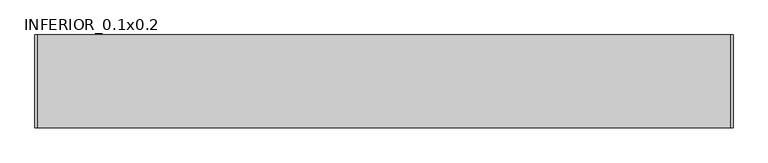
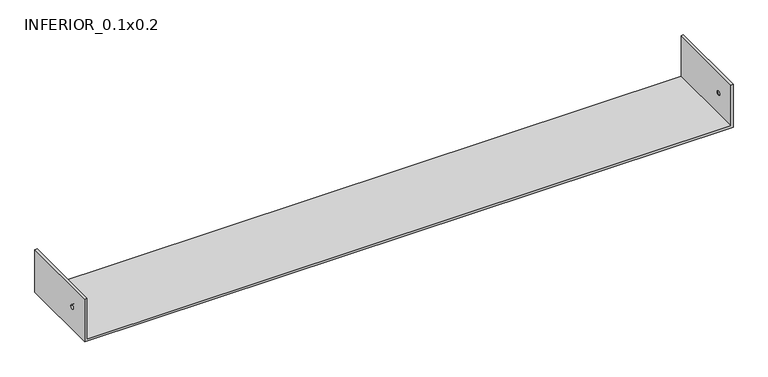
"""IFC4 building model written with IfcOpenShell, lengths in millimetres: proxy geometry, INFERIOR_0.1x0.2."""

import ifcopenshell
import ifcopenshell.guid

model = None  # the IFC model being written
_history = None  # IfcOwnerHistory: only IFC2X3 demands one
_inside = {}  # id of a spatial element -> (the spatial element, [elements in it])
_under = {}  # id of a project, library or spatial element -> (it, [spatial elements below it])
_declared = {}  # id of a project -> (the project, [libraries it declares])
_typed = {}  # id of a type object -> (the type object, [elements of that type])
_made_of = {}  # id of a material, layer set ... -> (it, [elements and type objects made of it])


def new_model(schema):
    """Start an empty IFC model of exactly this schema.

    Asked for "IFC4X3", IfcOpenShell would pick the latest addendum, in which some entities
    have other attributes; the version numbers below select the first issue.
    IFC2X3 requires an IfcOwnerHistory on every rooted entity: one is made here for all.
    """
    global model, _history
    if schema == "IFC4X3":
        model = ifcopenshell.file(schema_version=(4, 3, 0, 0))
    else:
        model = ifcopenshell.file(schema=schema)
    _inside.clear()
    _under.clear()
    _declared.clear()
    _typed.clear()
    _made_of.clear()
    _history = None
    if model.schema == "IFC2X3":
        org = make("IfcOrganization", Name="unknown")
        user = make(
            "IfcPersonAndOrganization",
            ThePerson=make("IfcPerson", FamilyName="unknown"),
            TheOrganization=org,
        )
        app = make(
            "IfcApplication",
            ApplicationDeveloper=org,
            Version="unknown",
            ApplicationFullName="unknown",
            ApplicationIdentifier="unknown",
        )
        _history = make(
            "IfcOwnerHistory",
            OwningUser=user,
            OwningApplication=app,
            ChangeAction="ADDED",
            CreationDate=0,
        )
    return model


def make(cls, **values):
    """One entity of the class cls with the attributes given. An attribute that is None is left unset."""
    return model.create_entity(
        cls, **{name: value for name, value in values.items() if value is not None}
    )


def rooted(cls, **values):
    """An entity with a GlobalId (a new one), such as an element, a storey or a relation."""
    return make(cls, GlobalId=ifcopenshell.guid.new(), OwnerHistory=_history, **values)


def si_unit(unit_type, name, prefix=None):
    """IfcSIUnit, for example si_unit("LENGTHUNIT", "METRE", prefix="MILLI")."""
    return make("IfcSIUnit", UnitType=unit_type, Prefix=prefix, Name=name)


def assignment(units):
    """IfcUnitAssignment: the units of a project."""
    return None if units is None else make("IfcUnitAssignment", Units=units)


def point(xyz):
    """IfcCartesianPoint."""
    return None if xyz is None else make("IfcCartesianPoint", Coordinates=xyz)


def direction(xyz):
    """IfcDirection."""
    return None if xyz is None else make("IfcDirection", DirectionRatios=xyz)


def frame(location, z_axis=None, x_axis=None):
    """IfcAxis2Placement3D, a coordinate frame: its origin and axes. An axis left out is left unset."""
    return make(
        "IfcAxis2Placement3D",
        Location=point(location),
        Axis=direction(z_axis),
        RefDirection=direction(x_axis),
    )


def origin():
    """The frame at (0, 0, 0) with its axes left unset."""
    return frame((0.0, 0.0, 0.0))


def place(relative_to, where):
    """IfcLocalPlacement: puts the frame where relative to a parent placement (None: the world)."""
    return make(
        "IfcLocalPlacement", PlacementRelTo=relative_to, RelativePlacement=where
    )


def context(
    kind, dimensions, precision=None, world=None, true_north=None, identifier=None
):
    """IfcGeometricRepresentationContext, for example the 3D "Model" context."""
    return make(
        "IfcGeometricRepresentationContext",
        ContextIdentifier=identifier,
        ContextType=kind,
        CoordinateSpaceDimension=dimensions,
        Precision=precision,
        WorldCoordinateSystem=world,
        TrueNorth=true_north,
    )


def project(units=None, contexts=None):
    """IfcProject with its units and contexts."""
    return rooted(
        "IfcProject",
        Name="project",
        RepresentationContexts=contexts,
        UnitsInContext=assignment(units),
    )


def spatial(cls, under=None, at=None, **own):
    """A site, building, storey or space (cls), placed at a placement, below another one or the project."""
    s = rooted(cls, ObjectPlacement=at, **own)
    if under is not None:
        _under.setdefault(under.id(), (under, []))[1].append(s)
    return s


def polyline(points):
    """IfcPolyline through the points."""
    return make("IfcPolyline", Points=[point(p) for p in points])


def circle_curve(where, radius):
    """IfcCircle in the frame where."""
    return make("IfcCircle", Position=where, Radius=radius)


def shape(context_of_items, identifier, shape_type, items):
    """IfcShapeRepresentation: the items that make up one representation, for example the "Body"."""
    return make(
        "IfcShapeRepresentation",
        ContextOfItems=context_of_items,
        RepresentationIdentifier=identifier,
        RepresentationType=shape_type,
        Items=items,
    )


def source(mapping_origin, context_of_items, identifier, shape_type, items):
    """IfcRepresentationMap: a shape defined once, which mapped items show again and again."""
    return make(
        "IfcRepresentationMap",
        MappingOrigin=mapping_origin,
        MappedRepresentation=shape(context_of_items, identifier, shape_type, items),
    )


def transform(
    local_origin,
    x_axis=None,
    y_axis=None,
    z_axis=None,
    scale=None,
    scale2=None,
    scale3=None,
    uniform=True,
):
    """IfcCartesianTransformationOperator3D, or its non-uniform kind. x_axis, y_axis, z_axis: its Axis1, 2, 3."""
    if uniform:
        return make(
            "IfcCartesianTransformationOperator3D",
            Axis1=direction(x_axis),
            Axis2=direction(y_axis),
            LocalOrigin=point(local_origin),
            Scale=scale,
            Axis3=direction(z_axis),
        )
    return make(
        "IfcCartesianTransformationOperator3DnonUniform",
        Axis1=direction(x_axis),
        Axis2=direction(y_axis),
        LocalOrigin=point(local_origin),
        Scale=scale,
        Axis3=direction(z_axis),
        Scale2=scale2,
        Scale3=scale3,
    )


def mapped(mapping_source, mapping_target):
    """IfcMappedItem: shows the shape of a source again, moved by a transform."""
    return make(
        "IfcMappedItem", MappingSource=mapping_source, MappingTarget=mapping_target
    )


def made_of(thing, what):
    """Note that an element or type object is made of a material, layer set ...; save() writes the relation."""
    if what is not None:
        _made_of.setdefault(what.id(), (what, []))[1].append(thing)
    return thing


def element(
    cls,
    number,
    at=None,
    inside=None,
    cuts=None,
    type_object=None,
    material=None,
    context=None,
    identifier="Body",
    shape_type=None,
    held_by="IfcProductDefinitionShape",
    body=None,
    shapes=None,
    **own,
):
    """One element of the class cls, such as IfcWall. Its Tag is "e" and its number.

    at: its placement. inside: the storey or other place that contains it. cuts: it is an
    opening in that element (IfcRelVoidsElement). A single representation is given by context,
    identifier, shape_type and body (its items); several are given by shapes. held_by: the class
    of the entity that holds the representations. save() writes the other relations.
    """
    e = rooted(cls, Tag="e%d" % number, ObjectPlacement=at, **own)
    if body is not None:
        shapes = [shape(context, identifier, shape_type, body)]
    if shapes is not None:
        e.Representation = make(held_by, Representations=shapes)
    if inside is not None:
        _inside.setdefault(inside.id(), (inside, []))[1].append(e)
    if cuts is not None:
        rooted(
            "IfcRelVoidsElement", RelatingBuildingElement=cuts, RelatedOpeningElement=e
        )
    if type_object is not None:
        _typed.setdefault(type_object.id(), (type_object, []))[1].append(e)
    return made_of(e, material)


def aggregate(whole, parts):
    """IfcRelAggregates: a whole, such as a stair, and the parts it consists of."""
    return rooted("IfcRelAggregates", RelatingObject=whole, RelatedObjects=parts)


def save(model, path):
    """Write the relations noted so far, then the file.

    IfcRelAggregates (storeys below a building ...), IfcRelContainedInSpatialStructure (elements
    in a storey), IfcRelDefinesByType, IfcRelAssociatesMaterial and IfcRelDeclares: one each for
    every whole, place, type object, material and project.
    """
    for whole, parts in _under.values():
        aggregate(whole, parts)
    for where, things in _inside.values():
        rooted(
            "IfcRelContainedInSpatialStructure",
            RelatedElements=things,
            RelatingStructure=where,
        )
    for kind, things in _typed.values():
        rooted("IfcRelDefinesByType", RelatedObjects=things, RelatingType=kind)
    for what, things in _made_of.values():
        rooted("IfcRelAssociatesMaterial", RelatedObjects=things, RelatingMaterial=what)
    for by, libraries in _declared.values():
        rooted("IfcRelDeclares", RelatingContext=by, RelatedDefinitions=libraries)
    model.write(path)


def plane_surface(at):
    """IfcPlane: the flat surface through the origin of the frame at, square to its z axis."""
    return make("IfcPlane", Position=at)


def revolved_surface(curve, axis_point, axis_direction):
    """IfcSurfaceOfRevolution: the curve turned about the line through axis_point along axis_direction."""
    return make(
        "IfcSurfaceOfRevolution",
        SweptCurve=make("IfcArbitraryOpenProfileDef", ProfileType="CURVE", Curve=curve),
        AxisPosition=make("IfcAxis1Placement", Location=point(axis_point), Axis=direction(axis_direction)),
    )


def advanced_brep(points, edges, surfaces, faces):
    """IfcAdvancedBrep: a solid bounded by faces that lie on surfaces and meet in shared edges.

    An edge is (start, end): straight between two places in points (the first is 0);
    or (start, end, curve); or (start, end, curve, False) where it runs against its curve.
    A face is (place in surfaces, loops), or (place, loops, False) where it looks against
    its surface's normal. A loop lists edges by number (the first is 1), with a minus sign
    where the edge is run from its end to its start. The first loop is the outer one.
    """
    corners = [point(p) for p in points]
    vertices = [make("IfcVertexPoint", VertexGeometry=c) for c in corners]
    made = []
    for start, end, *more in edges:
        made.append(
            make(
                "IfcEdgeCurve",
                EdgeStart=vertices[start],
                EdgeEnd=vertices[end],
                EdgeGeometry=more[0] if more else make("IfcPolyline", Points=[corners[start], corners[end]]),
                SameSense=more[1] if len(more) > 1 else True,
            )
        )
    hull = []
    for where, loops, *sense in faces:
        bounds = []
        for j, loop in enumerate(loops):
            ring = [make("IfcOrientedEdge", EdgeElement=made[abs(k) - 1], Orientation=k > 0) for k in loop]
            bounds.append(
                make(
                    "IfcFaceOuterBound" if j == 0 else "IfcFaceBound",
                    Bound=make("IfcEdgeLoop", EdgeList=ring),
                    Orientation=True,
                )
            )
        hull.append(make("IfcAdvancedFace", Bounds=bounds, FaceSurface=surfaces[where], SameSense=sense[0] if sense else True))
    return make("IfcAdvancedBrep", Outer=make("IfcClosedShell", CfsFaces=hull))


def inferior_0_1x0_2_5061bd0f(model_context):
    return source(origin(), model_context, "Body", "AdvancedBrep", [
        advanced_brep(
        [(5.0, 200.0, 105.0), (0.0, 200.0, 105.0), (0.0, 0.0, 105.0), (5.0, 0.0, 105.0), (5.0, 200.0, 5.0), (1499.0, 200.0, 5.0), (1499.0, 200.0, 105.0), (1504.0, 200.0, 105.0), (1504.0, 200.0, 0.0), (0.0, 200.0, 0.0), (0.0, 0.0, 0.0), (0.0, 45.1299677, 55.0), (0.0, 55.1299677, 55.0), (1504.0, 0.0, 0.0), (1504.0, 0.0, 105.0), (1499.0, 0.0, 105.0), (1499.0, 0.0, 5.0), (5.0, 0.0, 5.0), (5.0, 55.1299677, 55.0), (5.0, 45.1299677, 55.0), (1500.0, 45.1299677, 55.0), (1500.0, 55.1299677, 55.0), (1499.0, 55.1299677, 55.0), (1499.0, 45.1299677, 55.0)],
        [
            (0, 1),
            (1, 2),
            (2, 3),
            (3, 0),
            (0, 4),
            (4, 5),
            (5, 6),
            (6, 7),
            (7, 8),
            (8, 9),
            (9, 1),
            (9, 10),
            (10, 2),
            (11, 12, circle_curve(frame((0.0, 50.1299677, 55.0), z_axis=(1.0, 0.0, 0.0), x_axis=(0.0, 1.0, 0.0)), 5.0)),
            (12, 11, circle_curve(frame((0.0, 50.1299677, 55.0), z_axis=(1.0, 0.0, 0.0), x_axis=(0.0, 1.0, 0.0)), 5.0)),
            (10, 13),
            (13, 14),
            (14, 15),
            (15, 16),
            (16, 17),
            (17, 3),
            (17, 4),
            (18, 19, circle_curve(frame((5.0, 50.1299677, 55.0), z_axis=(-1.0, 0.0, 0.0), x_axis=(0.0, 1.0, 0.0)), 5.0)),
            (19, 18, circle_curve(frame((5.0, 50.1299677, 55.0), z_axis=(-1.0, 0.0, 0.0), x_axis=(0.0, 1.0, 0.0)), 5.0)),
            (16, 5),
            (8, 13),
            (7, 14),
            (11, 19),
            (18, 12),
            (20, 21, circle_curve(frame((1500.0, 50.1299677, 55.0), z_axis=(1.0, 0.0, 0.0), x_axis=(0.0, 1.0, 0.0)), 5.0)),
            (21, 22),
            (22, 23, circle_curve(frame((1499.0, 50.1299677, 55.0), z_axis=(-1.0, 0.0, 0.0), x_axis=(0.0, 1.0, 0.0)), 5.0)),
            (23, 20),
            (21, 20, circle_curve(frame((1500.0, 50.1299677, 55.0), z_axis=(1.0, 0.0, 0.0), x_axis=(0.0, 1.0, 0.0)), 5.0)),
            (23, 22, circle_curve(frame((1499.0, 50.1299677, 55.0), z_axis=(-1.0, 0.0, 0.0), x_axis=(0.0, 1.0, 0.0)), 5.0)),
            (6, 15),
        ],
        [
            plane_surface(frame((0.0, 200.0, 105.0), z_axis=(0.0, 0.0, 1.0), x_axis=(-1.0, 0.0, 0.0))),
            plane_surface(frame((5.0, 200.0, 105.0), z_axis=(0.0, 1.0, 0.0), x_axis=(0.0, 0.0, -1.0))),
            plane_surface(frame((0.0, 200.0, 105.0), z_axis=(-1.0, 0.0, 0.0), x_axis=(0.0, 0.0, -1.0))),
            plane_surface(frame((0.0, 0.0, 105.0), z_axis=(0.0, -1.0, 0.0), x_axis=(0.0, 0.0, -1.0))),
            plane_surface(frame((5.0, 0.0, 105.0), z_axis=(1.0, 0.0, 0.0), x_axis=(0.0, 0.0, -1.0))),
            plane_surface(frame((0.0, 0.0, 5.0), z_axis=(0.0, 0.0, 1.0), x_axis=(0.0, -1.0, 0.0))),
            plane_surface(frame((0.0, 0.0, 0.0), z_axis=(0.0, 0.0, -1.0), x_axis=(0.0, 1.0, 0.0))),
            plane_surface(frame((1504.0, 0.0, 5.0), z_axis=(1.0, 0.0, 0.0), x_axis=(0.0, 0.0, -1.0))),
            revolved_surface(polyline([(5.0, 55.1299677, 55.0), (0.0, 55.1299677, 55.0)]), (0.0, 50.1299677, 55.0), (1.0, 0.0, 0.0)),
            revolved_surface(polyline([(1500.0, 55.1299677, 55.0), (1499.0, 55.1299677, 55.0)]), (0.0, 50.1299677, 55.0), (1.0, 0.0, 0.0)),
            plane_surface(frame((1499.0, 200.0, 105.0), z_axis=(0.0, 0.0, 1.0), x_axis=(0.0, -1.0, 0.0))),
            plane_surface(frame((1499.0, 200.0, 105.0), z_axis=(-1.0, 0.0, 0.0), x_axis=(0.0, 0.0, -1.0))),
            plane_surface(frame((1500.0, 55.1299677, 55.0), z_axis=(-1.0, 0.0, 0.0), x_axis=(0.0, 0.0, 1.0))),
        ],
        [
            (0, [[1, 2, 3, 4]]),
            (1, [[-1, 5, 6, 7, 8, 9, 10, 11]]),
            (2, [[-2, -11, 12, 13], [14, 15]]),
            (3, [[-3, -13, 16, 17, 18, 19, 20, 21]]),
            (4, [[-4, -21, 22, -5], [23, 24]]),
            (5, [[-22, -20, 25, -6]]),
            (6, [[26, -16, -12, -10]]),
            (7, [[-26, -9, 27, -17]]),
            (8, [[28, -23, 29, -14]]),
            (9, [[30, 31, 32, 33]]),
            (8, [[-28, -15, -29, -24]]),
            (9, [[34, -33, 35, -31]]),
            (10, [[36, -18, -27, -8]]),
            (11, [[-36, -7, -25, -19], [-32, -35]]),
            (12, [[-34, -30]]),
        ],
    ),
    ])


if __name__ == "__main__":
    model = new_model("IFC4")
    model_context = context("Model", 3, world=origin())
    ifc_project = project(units=[si_unit("LENGTHUNIT", "METRE", prefix="MILLI")], contexts=[model_context])
    site = spatial("IfcSite", under=ifc_project)
    building = spatial("IfcBuilding", under=site)
    placement = place(None, origin())
    inferior_0_1x0_2_shape = inferior_0_1x0_2_5061bd0f(model_context)
    element("IfcBuildingElementProxy", 1, Name="INFERIOR_0.1x0.2", ObjectType="INFERIOR_0.1x0.2", at=placement, inside=building, context=model_context, shape_type="MappedRepresentation", body=[
        mapped(inferior_0_1x0_2_shape, transform((0.0, 0.0, 0.0), x_axis=(1.0, 0.0, 0.0), y_axis=(0.0, 1.0, 0.0), z_axis=(0.0, 0.0, 1.0))),
    ])
    save(model, "model.ifc")
